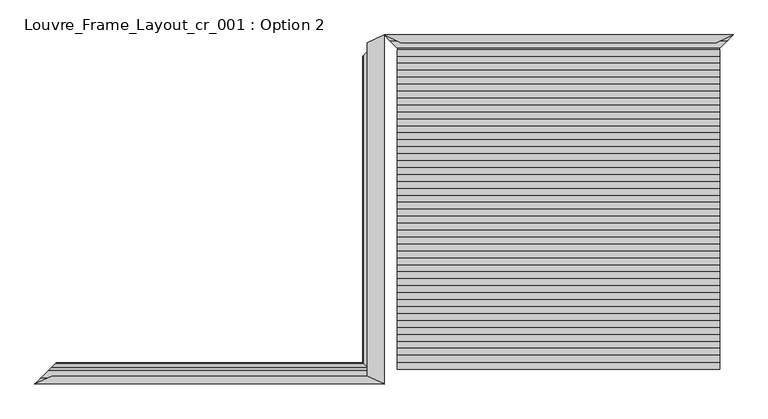
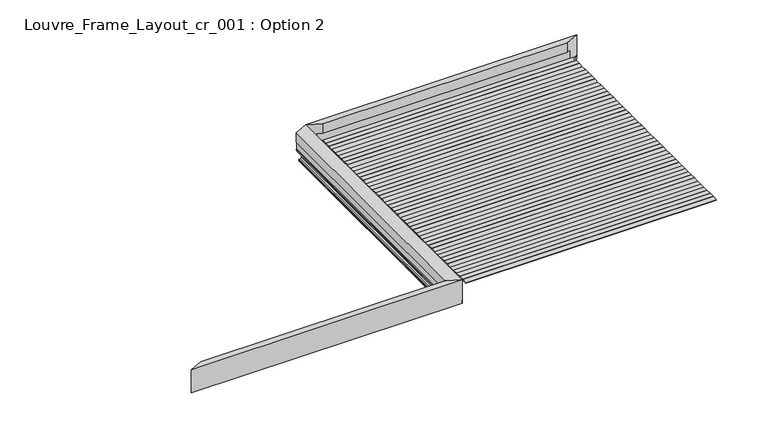
"""IFC4 building model written with IfcOpenShell, lengths in millimetres: proxy geometry, Louvre_Frame_Layout_cr_001 : Option 2."""

from ifc_helpers import new_model, si_unit, frame, origin, place, context, project, spatial, polyline, ellipse_curve, outline, extrude, source, transform, mapped, element, save
from ifc_brep_helpers import plane_surface, cylinder_surface, revolved_surface, advanced_brep


def louvre_frame_layout_cr_001_option_2_17656497(model_context):
    return source(origin(), model_context, "Body", "SolidModel", [
        advanced_brep(
        [(-57.3003291, -1802.6996709, 38.8575344), (0.0, -1860.0, 38.8575344), (0.0, -1860.0, 0.0), (-150.1057157, -1709.8942843, 0.0), (-215.1781305, -1644.8218695, 26.1870213), (-215.1781305, -1644.8218695, 39.3616238), (-214.5111661, -1645.4888339, 40.0285881), (-208.9378388, -1651.0621612, 40.0285881), (-208.2708744, -1651.7291256, 39.3616238), (-208.2708744, -1651.7291256, 25.5580129), (-163.205011, -1696.794989, 7.4266447), (-135.1800041, -1724.8199959, 2.0018958), (-56.9994313, -1803.0005687, 2.0018958), (-51.9945897, -1808.0054103, 7.0067374), (-51.9945897, -1808.0054103, 36.2093165), (-52.5783381, -1807.4216619, 36.793065), (-55.2974109, -1804.7025891, 36.793065), (-3444.7025891, -1804.7025891, 36.793065), (-3447.4216619, -1807.4216619, 36.793065), (-3448.0054103, -1808.0054103, 36.2093165), (-3448.0054103, -1808.0054103, 7.0067374), (-3443.0005687, -1803.0005687, 2.0018958), (-3364.8199959, -1724.8199959, 2.0018958), (-3336.794989, -1696.794989, 7.4266447), (-3291.7291256, -1651.7291256, 25.5580129), (-3291.7291256, -1651.7291256, 39.3616238), (-3291.0621612, -1651.0621612, 40.0285881), (-3285.4888339, -1645.4888339, 40.0285881), (-3284.8218695, -1644.8218695, 39.3616238), (-3284.8218695, -1644.8218695, 26.1870213), (-3349.8942843, -1709.8942843, 0.0), (-3500.0, -1860.0, 0.0), (-3500.0, -1860.0, 38.8575344), (-3442.6996709, -1802.6996709, 38.8575344), (-3330.2950263, -1780.0512704, 316.6276048), (-169.7049737, -1780.0512704, 316.6276048), (-169.7049737, -1780.0512704, 186.7535382), (-3330.2950263, -1780.0512704, 186.7535382), (-110.3674882, -1808.0054103, 186.7535382), (-3389.6325118, -1808.0054103, 186.7535382), (-110.3674882, -1808.0054103, 66.9467725), (-3389.6325118, -1808.0054103, 66.9467725), (-111.6885783, -1807.3830392, 66.3244014), (-3388.3114217, -1807.3830392, 66.3244014), (-117.3778622, -1804.7027935, 66.3244014), (-3382.6221378, -1804.7027935, 66.3244014), (-121.6298357, -1802.6996709, 64.3212787), (-3378.3701643, -1802.6996709, 64.3212787), (-121.6298357, -1802.6996709, 38.7959832), (-3378.3701643, -1802.6996709, 38.7959832), (0.0, -1860.0, 40.0285881), (0.0, -1860.0, 316.6276048), (-3500.0, -1860.0, 316.6276048), (-3500.0, -1860.0, 40.0285881)],
        [
            (0, 1),
            (1, 2),
            (2, 3),
            (3, 4),
            (4, 5),
            (5, 6, ellipse_curve(frame((-214.5111661, -1645.4888339, 39.3616238), z_axis=(0.7071067811864487, 0.7071067811866465, 0.0), x_axis=(0.7071067811866463, -0.7071067811864488, 0.0)), 0.94323, 0.6669644)),
            (6, 7),
            (7, 8, ellipse_curve(frame((-208.9378388, -1651.0621612, 39.3616238), z_axis=(0.7071067811864487, 0.7071067811866465, 0.0), x_axis=(0.7071067811866463, -0.7071067811864488, 0.0)), 0.94323, 0.6669644)),
            (8, 9),
            (9, 10),
            (10, 11, ellipse_curve(frame((-135.1880146, -1724.8119854, 77.0634267), z_axis=(-0.7071067811864487, -0.7071067811866465, 0.0), x_axis=(-0.7071067811866463, 0.7071067811864488, 0.0)), 106.1530357, 75.0615314)),
            (11, 12),
            (12, 13, ellipse_curve(frame((-56.9994313, -1803.0005687, 7.0067374), z_axis=(-0.7071067811864487, -0.7071067811866465, 0.0), x_axis=(-0.7071067811866463, 0.7071067811864488, 0.0)), 7.0779149, 5.0048416)),
            (13, 14),
            (14, 15, ellipse_curve(frame((-52.5783381, -1807.4216619, 36.2093165), z_axis=(-0.7071067811864487, -0.7071067811866465, 0.0), x_axis=(-0.7071067811866463, 0.7071067811864488, 0.0)), 0.825545, 0.5837485)),
            (15, 16),
            (16, 0, ellipse_curve(frame((-55.2974109, -1804.7025891, 38.7959832), z_axis=(0.7071067811864487, 0.7071067811866465, 0.0), x_axis=(0.7071067811866463, -0.7071067811864488, 0.0)), 2.832554, 2.0029182)),
            (17, 18),
            (18, 19, ellipse_curve(frame((-3447.4216619, -1807.4216619, 36.2093165), z_axis=(0.7071067811866565, -0.7071067811864387, 0.0), x_axis=(-0.7071067811864385, -0.7071067811866565, 0.0)), 0.825545, 0.5837485)),
            (19, 20),
            (20, 21, ellipse_curve(frame((-3443.0005687, -1803.0005687, 7.0067374), z_axis=(0.7071067811866565, -0.7071067811864387, 0.0), x_axis=(-0.7071067811864385, -0.7071067811866565, 0.0)), 7.0779149, 5.0048416)),
            (21, 22),
            (22, 23, ellipse_curve(frame((-3364.8119854, -1724.8119854, 77.0634267), z_axis=(0.7071067811866565, -0.7071067811864387, 0.0), x_axis=(-0.7071067811864385, -0.7071067811866565, 0.0)), 106.1530357, 75.0615314)),
            (23, 24),
            (24, 25),
            (25, 26, ellipse_curve(frame((-3291.0621612, -1651.0621612, 39.3616238), z_axis=(-0.7071067811866565, 0.7071067811864387, 0.0), x_axis=(0.7071067811864385, 0.7071067811866565, 0.0)), 0.94323, 0.6669644)),
            (26, 27),
            (27, 28, ellipse_curve(frame((-3285.4888339, -1645.4888339, 39.3616238), z_axis=(-0.7071067811866565, 0.7071067811864387, 0.0), x_axis=(0.7071067811864385, 0.7071067811866565, 0.0)), 0.94323, 0.6669644)),
            (28, 29),
            (29, 30),
            (30, 31),
            (31, 32),
            (32, 33),
            (33, 17, ellipse_curve(frame((-3444.7025891, -1804.7025891, 38.7959832), z_axis=(-0.7071067811866565, 0.7071067811864387, 0.0), x_axis=(0.7071067811864385, 0.7071067811866565, 0.0)), 2.832554, 2.0029182)),
            (34, 35),
            (35, 36),
            (36, 37),
            (37, 34),
            (36, 38),
            (38, 39),
            (39, 37),
            (38, 40),
            (40, 41),
            (41, 39),
            (40, 42, ellipse_curve(frame((-111.6885783, -1807.3830392, 66.9467725), z_axis=(0.42617915109134935, 0.90463878491642, 0.0), x_axis=(-0.9046387849164201, 0.42617915109134935, 0.0)), 1.460351, 0.6223711)),
            (42, 43),
            (43, 41, ellipse_curve(frame((-3388.3114217, -1807.3830392, 66.9467725), z_axis=(-0.42617915109109333, 0.9046387849165407, 0.0), x_axis=(-0.9046387849165406, -0.42617915109109333, 0.0)), 1.460351, 0.6223711)),
            (42, 44),
            (44, 45),
            (45, 43),
            (44, 46, ellipse_curve(frame((-117.3778622, -1804.7027935, 64.3212787), z_axis=(-0.42617915109134935, -0.90463878491642, 0.0), x_axis=(0.9046387849164201, -0.42617915109134935, 0.0)), 4.7001892, 2.0031227)),
            (46, 47),
            (47, 45, ellipse_curve(frame((-3382.6221378, -1804.7027935, 64.3212787), z_axis=(0.42617915109109333, -0.9046387849165407, 0.0), x_axis=(0.9046387849165406, 0.42617915109109333, 0.0)), 4.7001892, 2.0031227)),
            (46, 48),
            (48, 49),
            (49, 47),
            (16, 17),
            (33, 49),
            (48, 0),
            (15, 18),
            (14, 19),
            (13, 20),
            (12, 21),
            (11, 22),
            (10, 23),
            (9, 24),
            (8, 25),
            (7, 26),
            (6, 27),
            (5, 28),
            (4, 29),
            (3, 30),
            (2, 31),
            (1, 50),
            (50, 51),
            (51, 52),
            (52, 53),
            (53, 32),
            (51, 35),
            (34, 52),
            (32, 49),
            (48, 1),
        ],
        [
            plane_surface(frame((0.0, -1860.0, 40.0285881), z_axis=(0.7071067811864487, 0.7071067811866465, 0.0), x_axis=(0.0, 0.0, -1.0))),
            plane_surface(frame((-3241.9060249, -1601.9060249, 40.0285881), z_axis=(-0.7071067811866565, 0.7071067811864387, 0.0), x_axis=(0.0, 0.0, -1.0))),
            plane_surface(frame((0.0, -1780.0512704, 316.6276048), z_axis=(0.0, 1.0, 0.0), x_axis=(-1.0, 0.0, 0.0))),
            plane_surface(frame((0.0, -1780.0512704, 186.7535382), z_axis=(0.0, 0.0, -1.0), x_axis=(-1.0, 0.0, 0.0))),
            plane_surface(frame((0.0, -1808.0054103, 186.7535382), z_axis=(0.0, 1.0, 0.0), x_axis=(-1.0, 0.0, 0.0))),
            revolved_surface(polyline([(-3389.6325118541918, -1806.7606681, 66.9467725), (-110.36748814580852, -1806.7606681, 66.9467725)]), (0.0, -1807.3830392, 66.9467725), (-1.0, 0.0, 0.0)),
            plane_surface(frame((0.0, -1807.3830392, 66.3244014), z_axis=(0.0, 0.0, 1.0), x_axis=(-1.0, 0.0, 0.0))),
            cylinder_surface(frame((0.0, -1804.7027935, 64.3212787), z_axis=(1.0, 0.0, 0.0), x_axis=(0.0, 1.0, 0.0)), 2.0031227),
            plane_surface(frame((0.0, -1802.6996709, 64.3212787), z_axis=(0.0, 1.0, 0.0), x_axis=(-1.0, 0.0, 0.0))),
            cylinder_surface(frame((0.0, -1804.7025891, 38.7959832), z_axis=(1.0, 0.0, 0.0), x_axis=(0.0, 1.0, 0.0)), 2.0029182),
            plane_surface(frame((0.0, -1804.7025891, 36.793065), z_axis=(0.0, 0.0, -1.0), x_axis=(-1.0, 0.0, 0.0))),
            revolved_surface(polyline([(-3448.0054103676744, -1806.8379134, 36.2093165), (-51.99458963232527, -1806.8379134, 36.2093165)]), (0.0, -1807.4216619, 36.2093165), (-1.0, 0.0, 0.0)),
            plane_surface(frame((0.0, -1808.0054103, 36.2093165), z_axis=(0.0, 1.0, 0.0), x_axis=(-1.0, 0.0, 0.0))),
            revolved_surface(polyline([(-3448.00541032245, -1797.9957271, 7.0067374), (-51.99458967754799, -1797.9957271, 7.0067374)]), (0.0, -1803.0005687, 7.0067374), (-1.0, 0.0, 0.0)),
            plane_surface(frame((0.0, -1803.0005687, 2.0018958), z_axis=(0.0, 0.0, 1.0), x_axis=(-1.0, 0.0, 0.0))),
            revolved_surface(polyline([(-3439.8735167869963, -1649.750454, 77.0634267), (-60.12648321298185, -1649.750454, 77.0634267)]), (0.0, -1724.8119854, 77.0634267), (-1.0, 0.0, 0.0)),
            plane_surface(frame((0.0, -1696.794989, 7.4266447), z_axis=(0.0, -0.37325372835204085, 0.9277293001039155), x_axis=(-1.0, 0.0, 0.0))),
            plane_surface(frame((0.0, -1651.7291256, 25.5580129), z_axis=(0.0, -1.0, 0.0), x_axis=(-1.0, 0.0, 0.0))),
            cylinder_surface(frame((0.0, -1651.0621612, 39.3616238), z_axis=(1.0, 0.0, 0.0), x_axis=(0.0, 1.0, 0.0)), 0.6669644),
            plane_surface(frame((0.0, -1651.0621612, 40.0285881), z_axis=(0.0, 0.0, 1.0), x_axis=(-1.0, 0.0, 0.0))),
            cylinder_surface(frame((0.0, -1645.4888339, 39.3616238), z_axis=(1.0, 0.0, 0.0), x_axis=(0.0, -1.0, 0.0)), 0.6669644),
            plane_surface(frame((0.0, -1644.8218695, 39.3616238), z_axis=(0.0, 1.0, 0.0), x_axis=(-1.0, 0.0, 0.0))),
            plane_surface(frame((0.0, -1644.8218695, 26.1870213), z_axis=(0.0, 0.3733323631651337, -0.927697659053604), x_axis=(-1.0, 0.0, 0.0))),
            plane_surface(frame((0.0, -1709.8942843, 0.0), z_axis=(0.0, 0.0, -1.0), x_axis=(-1.0, 0.0, 0.0))),
            plane_surface(frame((0.0, -1860.0, 0.0), z_axis=(0.0, -1.0, 0.0), x_axis=(-1.0, 0.0, 0.0))),
            plane_surface(frame((0.0, -1860.0, 316.6276048), z_axis=(0.0, 0.0, 1.0), x_axis=(-1.0, 0.0, 0.0))),
            plane_surface(frame((-3500.0, -1860.0, 38.8575344), z_axis=(0.0, 0.0, 1.0), x_axis=(0.9046387849165407, 0.42617915109109333, 0.0))),
            plane_surface(frame((-3330.2950263, -1780.0512704, 398.4370867), z_axis=(-0.42617915109109333, 0.9046387849165407, 0.0), x_axis=(0.0, 0.0, -1.0))),
            plane_surface(frame((0.0, -1780.0512704, 38.8575344), z_axis=(0.0, 0.0, 1.0), x_axis=(-1.0, 0.0, 0.0))),
            plane_surface(frame((0.0, -1860.0, 398.4370867), z_axis=(0.42617915109134935, 0.90463878491642, 0.0), x_axis=(0.0, 0.0, -1.0))),
        ],
        [
            (0, [[1, 2, 3, 4, 5, 6, 7, 8, 9, 10, 11, 12, 13, 14, 15, 16, 17]]),
            (1, [[18, 19, 20, 21, 22, 23, 24, 25, 26, 27, 28, 29, 30, 31, 32, 33, 34]]),
            (2, [[35, 36, 37, 38]]),
            (3, [[-37, 39, 40, 41]]),
            (4, [[-40, 42, 43, 44]]),
            (5, [[-43, 45, 46, 47]]),
            (6, [[-46, 48, 49, 50]]),
            (7, [[-49, 51, 52, 53]]),
            (8, [[-52, 54, 55, 56]]),
            (9, [[57, -34, 58, -55, 59, -17]]),
            (10, [[60, -18, -57, -16]]),
            (11, [[61, -19, -60, -15]]),
            (12, [[62, -20, -61, -14]]),
            (13, [[63, -21, -62, -13]]),
            (14, [[64, -22, -63, -12]]),
            (15, [[65, -23, -64, -11]]),
            (16, [[66, -24, -65, -10]]),
            (17, [[67, -25, -66, -9]]),
            (18, [[68, -26, -67, -8]]),
            (19, [[69, -27, -68, -7]]),
            (20, [[70, -28, -69, -6]]),
            (21, [[71, -29, -70, -5]]),
            (22, [[72, -30, -71, -4]]),
            (23, [[-31, -72, -3, 73]]),
            (24, [[-2, 74, 75, 76, 77, 78, -32, -73]]),
            (25, [[79, -35, 80, -76]]),
            (26, [[-58, -33, 81]]),
            (27, [[-78, -77, -80, -38, -41, -44, -47, -50, -53, -56, -81]]),
            (28, [[-1, -59, 82]]),
            (29, [[-54, -51, -48, -45, -42, -39, -36, -79, -75, -74, -82]]),
        ],
    ),
        advanced_brep(
        [(-145.2950918, -1714.7049082, 40.0285881), (-142.500644, -1717.499356, 38.8575344), (-64.3578923, -1795.6421077, 38.8575344), (-62.7201461, -1797.2798539, 37.2197882), (-62.7201461, -1797.2798539, 30.0771301), (-51.9945897, -1808.0054103, 30.0771301), (-51.9945897, -1808.0054103, 7.0067374), (-56.9994313, -1803.0005687, 2.0018958), (-135.1800041, -1724.8199959, 2.0018958), (-163.205011, -1696.794989, 7.4266447), (-208.2708744, -1651.7291256, 25.5580129), (-208.2708744, -1651.7291256, 39.3616238), (-208.9378388, -1651.0621612, 40.0285881), (-214.5111661, -1645.4888339, 40.0285881), (-215.1781305, -1644.8218695, 39.3616238), (-215.1781305, -1644.8218695, 26.5150991), (-214.6113147, -1645.3886853, 25.9589183), (-150.1057157, -1709.8942843, 0.0), (0.0, -1860.0, 0.0), (0.0, -1860.0, 36.793065), (0.0, -1860.0, 40.0285881), (0.0, 1640.0, 40.0285881), (0.0, 1640.0, 36.793065), (0.0, 1640.0, 0.0), (-150.1057157, 1489.9379038, 0.0), (-214.6113147, 1425.4510496, 25.9589183), (-215.1781305, 1424.8843985, 26.5150991), (-215.1781305, 1424.8843985, 39.3616238), (-214.5111661, 1425.5511691, 40.0285881), (-208.9378388, 1431.1228768, 40.0285881), (-208.2708744, 1431.7896474, 39.3616238), (-208.2708744, 1431.7896474, 25.5580129), (-163.205011, 1476.842415, 7.4266447), (-135.1800041, 1504.8592781, 2.0018958), (-56.9994313, 1583.0171323, 2.0018958), (-51.9945897, 1588.0205195, 7.0067374), (-51.9945897, 1588.0205195, 30.0771301), (-62.7201461, 1577.2980799, 30.0771301), (-62.7201461, 1577.2980799, 37.2197882), (-64.3578923, 1575.6608096, 38.8575344), (-142.500644, 1497.5407655, 38.8575344), (-145.2950918, 1494.7471297, 40.0285881), (-145.2950918, -1791.5508688, 40.0285881), (-145.2950918, 1571.5508688, 40.0285881), (0.0, 1640.0, 315.1230176), (-169.7049737, 1560.0512704, 315.1230176), (-169.7049737, -1780.0512704, 315.1230176), (0.0, -1860.0, 315.1230176), (-147.9326449, -1790.3083064, 42.7736155), (-147.9326449, 1570.3083064, 42.7736155), (-169.6981451, -1780.0544873, 79.2796958), (-169.6981451, 1560.0544873, 79.2796958), (-169.6981451, -1780.0544873, 88.3970766), (-169.6981451, 1560.0544873, 88.3970766), (-163.2806322, -1783.0778048, 88.3970766), (-163.2806322, 1563.0778048, 88.3970766), (-163.2806322, -1783.0778048, 186.2985422), (-163.2806322, 1563.0778048, 186.2985422), (-169.7049737, -1780.0512704, 186.2985422), (-169.7049737, 1560.0512704, 186.2985422)],
        [
            (0, 1, ellipse_curve(frame((-140.6934069, -1719.3065931, 47.0897633), z_axis=(-0.7071067811865105, -0.7071067811865845, 0.0), x_axis=(0.7071067811865845, -0.7071067811865106, 0.0)), 11.9193707, 8.4282679)),
            (1, 2),
            (2, 3, ellipse_curve(frame((-64.3578923, -1795.6421077, 37.2197882), z_axis=(0.7071067811865105, 0.7071067811865845, 0.0), x_axis=(-0.7071067811865845, 0.7071067811865106, 0.0)), 2.3161229, 1.6377462)),
            (3, 4),
            (4, 5),
            (5, 6),
            (6, 7, ellipse_curve(frame((-56.9994313, -1803.0005687, 7.0067374), z_axis=(0.7071067811865105, 0.7071067811865845, 0.0), x_axis=(-0.7071067811865845, 0.7071067811865106, 0.0)), 7.0779149, 5.0048416)),
            (7, 8),
            (8, 9, ellipse_curve(frame((-135.1880146, -1724.8119854, 77.0634267), z_axis=(0.7071067811865105, 0.7071067811865845, 0.0), x_axis=(-0.7071067811865845, 0.7071067811865106, 0.0)), 106.1530357, 75.0615314)),
            (9, 10),
            (10, 11),
            (11, 12, ellipse_curve(frame((-208.9378388, -1651.0621612, 39.3616238), z_axis=(-0.7071067811865105, -0.7071067811865845, 0.0), x_axis=(0.7071067811865845, -0.7071067811865106, 0.0)), 0.94323, 0.6669644)),
            (12, 13),
            (13, 14, ellipse_curve(frame((-214.5111661, -1645.4888339, 39.3616238), z_axis=(-0.7071067811865105, -0.7071067811865845, 0.0), x_axis=(0.7071067811865845, -0.7071067811865106, 0.0)), 0.94323, 0.6669644)),
            (14, 15),
            (15, 16, ellipse_curve(frame((-214.2245487, -1645.7754513, 26.9199973), z_axis=(-0.7071067811865105, -0.7071067811865845, 0.0), x_axis=(0.7071067811865845, -0.7071067811865106, 0.0)), 1.4651013, 1.035983)),
            (16, 17),
            (17, 18),
            (18, 19),
            (19, 20),
            (20, 0),
            (21, 22),
            (22, 23),
            (23, 24),
            (24, 25),
            (25, 26, ellipse_curve(frame((-214.2245487, 1425.8377032, 26.9199973), z_axis=(-0.707004019078356, 0.7072095283627419, 0.0), x_axis=(-0.7072095283627419, -0.7070040190783559, 0.0)), 1.4648884, 1.035983)),
            (26, 27),
            (27, 28, ellipse_curve(frame((-214.5111661, 1425.5511691, 39.3616238), z_axis=(-0.707004019078356, 0.7072095283627419, 0.0), x_axis=(-0.7072095283627419, -0.7070040190783559, 0.0)), 0.943093, 0.6669644)),
            (28, 29),
            (29, 30, ellipse_curve(frame((-208.9378388, 1431.1228768, 39.3616238), z_axis=(-0.707004019078356, 0.7072095283627419, 0.0), x_axis=(-0.7072095283627419, -0.7070040190783559, 0.0)), 0.943093, 0.6669644)),
            (30, 31),
            (31, 32),
            (32, 33, ellipse_curve(frame((-135.1880146, 1504.85127, 77.0634267), z_axis=(0.707004019078356, -0.7072095283627419, 0.0), x_axis=(0.7072095283627419, 0.7070040190783559, 0.0)), 106.1376132, 75.0615314)),
            (33, 34),
            (34, 35, ellipse_curve(frame((-56.9994313, 1583.0171323, 7.0067374), z_axis=(0.707004019078356, -0.7072095283627419, 0.0), x_axis=(0.7072095283627419, 0.7070040190783559, 0.0)), 7.0768866, 5.0048416)),
            (35, 36),
            (36, 37),
            (37, 38),
            (38, 39, ellipse_curve(frame((-64.3578923, 1575.6608096, 37.2197882), z_axis=(0.707004019078356, -0.7072095283627419, 0.0), x_axis=(0.7072095283627419, 0.7070040190783559, 0.0)), 2.3157864, 1.6377462)),
            (39, 40),
            (40, 41, ellipse_curve(frame((-140.6934069, 1499.3474774, 47.0897633), z_axis=(-0.707004019078356, 0.7072095283627419, 0.0), x_axis=(-0.7072095283627419, -0.7070040190783559, 0.0)), 11.917639, 8.4282679)),
            (41, 21),
            (20, 42),
            (42, 0),
            (41, 43),
            (43, 21),
            (44, 45),
            (45, 46),
            (46, 47),
            (47, 44),
            (47, 20),
            (18, 23),
            (21, 44),
            (17, 24),
            (16, 25),
            (15, 26),
            (14, 27),
            (13, 28),
            (12, 29),
            (11, 30),
            (10, 31),
            (9, 32),
            (8, 33),
            (7, 34),
            (6, 35),
            (5, 36),
            (4, 37),
            (3, 38),
            (2, 39),
            (1, 40),
            (42, 48, ellipse_curve(frame((-140.6934069, -1793.718742, 47.0897633), z_axis=(0.42617915109134047, 0.9046387849164242, 0.0), x_axis=(0.9046387849164244, -0.4261791510913402, 0.0)), 9.3167218, 8.4282679)),
            (48, 49),
            (49, 43, ellipse_curve(frame((-140.6934069, 1573.718742, 47.0897633), z_axis=(0.4261791510912675, -0.9046387849164587, 0.0), x_axis=(-0.9046387849164589, -0.4261791510912672, 0.0)), 9.3167218, 8.4282679)),
            (50, 51),
            (51, 49),
            (48, 50),
            (52, 53),
            (53, 51),
            (50, 52),
            (54, 55),
            (55, 53),
            (52, 54),
            (56, 57),
            (57, 55),
            (54, 56),
            (58, 59),
            (59, 57),
            (56, 58),
            (45, 59),
            (58, 46),
        ],
        [
            plane_surface(frame((-215.1781305, -1644.8218695, 40.0285881), z_axis=(-0.7071067811865105, -0.7071067811865845, 0.0), x_axis=(0.0, 0.0, -1.0))),
            plane_surface(frame((0.0, 1640.0, 40.0285881), z_axis=(-0.707004019078356, 0.7072095283627419, 0.0), x_axis=(0.0, 0.0, -1.0))),
            plane_surface(frame((0.0, -1860.0, 40.0285881), z_axis=(0.0, 0.0, -1.0), x_axis=(0.7071067811865845, -0.7071067811865105, 0.0))),
            plane_surface(frame((-258.0939751, 1381.9810249, 40.0285881), z_axis=(0.0, 0.0, -1.0), x_axis=(0.0, 1.0, 0.0))),
            plane_surface(frame((-169.7049737, -1860.0, 315.1230176), z_axis=(0.0, 0.0, 1.0), x_axis=(0.0, 1.0, 0.0))),
            plane_surface(frame((0.0, -1860.0, 315.1230176), z_axis=(1.0, 0.0, 0.0), x_axis=(0.0, 1.0, 0.0))),
            plane_surface(frame((0.0, -1860.0, 0.0), z_axis=(0.0, 0.0, -1.0), x_axis=(0.0, 1.0, 0.0))),
            plane_surface(frame((-150.1057157, -1860.0, 0.0), z_axis=(-0.3733323631651337, 0.0, -0.9276976590536039), x_axis=(0.0, 1.0, 0.0))),
            cylinder_surface(frame((-214.2245487, -1860.0, 26.9199973), z_axis=(0.0, -1.0, 0.0), x_axis=(-1.0, 0.0, 0.0)), 1.035983),
            plane_surface(frame((-215.1781305, -1860.0, 26.5150991), z_axis=(-1.0, 0.0, 0.0), x_axis=(0.0, 1.0, 0.0))),
            cylinder_surface(frame((-214.5111661, -1860.0, 39.3616238), z_axis=(0.0, -1.0, 0.0), x_axis=(1.0, 0.0, 0.0)), 0.6669644),
            plane_surface(frame((-214.5111661, -1860.0, 40.0285881), z_axis=(0.0, 0.0, 1.0), x_axis=(0.0, 1.0, 0.0))),
            cylinder_surface(frame((-208.9378388, -1860.0, 39.3616238), z_axis=(0.0, -1.0, 0.0), x_axis=(-1.0, 0.0, 0.0)), 0.6669644),
            plane_surface(frame((-208.2708744, -1860.0, 39.3616238), z_axis=(1.0, 0.0, 0.0), x_axis=(0.0, 1.0, 0.0))),
            plane_surface(frame((-208.2708744, -1860.0, 25.5580129), z_axis=(0.37325372835204107, 0.0, 0.9277293001039154), x_axis=(0.0, 1.0, 0.0))),
            revolved_surface(polyline([(-210.249546, 1579.8909891077842, 77.0634267), (-210.249546, -1799.8735167870036, 77.0634267)]), (-135.1880146, -1860.0, 77.0634267), (0.0, 1.0, 0.0)),
            plane_surface(frame((-135.1800041, -1860.0, 2.0018958), z_axis=(0.0, 0.0, 1.0), x_axis=(0.0, 1.0, 0.0))),
            revolved_surface(polyline([(-62.0042729, 1588.0205195687618, 7.0067374), (-62.0042729, -1808.005410322451, 7.0067374)]), (-56.9994313, -1860.0, 7.0067374), (0.0, 1.0, 0.0)),
            plane_surface(frame((-51.9945897, -1860.0, 7.0067374), z_axis=(-1.0, 0.0, 0.0), x_axis=(0.0, 1.0, 0.0))),
            plane_surface(frame((-51.9945897, -1860.0, 30.0771301), z_axis=(0.0, 0.0, -1.0), x_axis=(0.0, 1.0, 0.0))),
            plane_surface(frame((-62.7201461, -1860.0, 30.0771301), z_axis=(-1.0, 0.0, 0.0), x_axis=(0.0, 1.0, 0.0))),
            revolved_surface(polyline([(-65.9956385, 1577.2980798999997, 37.2197882), (-65.9956385, -1797.2798539086514, 37.2197882)]), (-64.3578923, -1860.0, 37.2197882), (0.0, 1.0, 0.0)),
            plane_surface(frame((-64.3578923, -1860.0, 38.8575344), z_axis=(0.0, 0.0, -1.0), x_axis=(0.0, 1.0, 0.0))),
            cylinder_surface(frame((-140.6934069, -1860.0, 47.0897633), z_axis=(0.0, -1.0, 0.0), x_axis=(-1.0, 0.0, 0.0)), 8.4282679),
            plane_surface(frame((-147.9326449, -1860.0, 42.7736155), z_axis=(-0.8589235852565517, 0.0, -0.5121037733604697), x_axis=(0.0, 1.0, 0.0))),
            plane_surface(frame((-169.6981451, -1860.0, 79.2796958), z_axis=(-1.0, 0.0, 0.0), x_axis=(0.0, 1.0, 0.0))),
            plane_surface(frame((-169.6981451, -1860.0, 88.3970766), z_axis=(0.0, 0.0, 1.0), x_axis=(0.0, 1.0, 0.0))),
            plane_surface(frame((-163.2806322, -1860.0, 88.3970766), z_axis=(-1.0, 0.0, 0.0), x_axis=(0.0, 1.0, 0.0))),
            plane_surface(frame((-163.2806322, -1860.0, 186.2985422), z_axis=(0.0, 0.0, -1.0), x_axis=(0.0, 1.0, 0.0))),
            plane_surface(frame((-169.7049737, -1860.0, 186.2985422), z_axis=(-1.0, 0.0, 0.0), x_axis=(0.0, 1.0, 0.0))),
            plane_surface(frame((-169.7049737, -1780.0512704, 355.5911694), z_axis=(-0.42617915109134047, -0.9046387849164242, 0.0), x_axis=(0.0, 0.0, -1.0))),
            plane_surface(frame((0.0, 1640.0, 355.5911694), z_axis=(-0.4261791510912675, 0.9046387849164587, 0.0), x_axis=(0.0, 0.0, -1.0))),
        ],
        [
            (0, [[1, 2, 3, 4, 5, 6, 7, 8, 9, 10, 11, 12, 13, 14, 15, 16, 17, 18, 19, 20, 21]]),
            (1, [[22, 23, 24, 25, 26, 27, 28, 29, 30, 31, 32, 33, 34, 35, 36, 37, 38, 39, 40, 41, 42]]),
            (2, [[43, 44, -21]]),
            (3, [[45, 46, -42]]),
            (4, [[47, 48, 49, 50]]),
            (5, [[51, -20, -19, 52, -23, -22, 53, -50]]),
            (6, [[-18, 54, -24, -52]]),
            (7, [[55, -25, -54, -17]]),
            (8, [[56, -26, -55, -16]]),
            (9, [[57, -27, -56, -15]]),
            (10, [[58, -28, -57, -14]]),
            (11, [[59, -29, -58, -13]]),
            (12, [[60, -30, -59, -12]]),
            (13, [[61, -31, -60, -11]]),
            (14, [[62, -32, -61, -10]]),
            (15, [[63, -33, -62, -9]]),
            (16, [[64, -34, -63, -8]]),
            (17, [[65, -35, -64, -7]]),
            (18, [[66, -36, -65, -6]]),
            (19, [[67, -37, -66, -5]]),
            (20, [[68, -38, -67, -4]]),
            (21, [[69, -39, -68, -3]]),
            (22, [[70, -40, -69, -2]]),
            (23, [[-44, 71, 72, 73, -45, -41, -70, -1]]),
            (24, [[74, 75, -72, 76]]),
            (25, [[77, 78, -74, 79]]),
            (26, [[80, 81, -77, 82]]),
            (27, [[83, 84, -80, 85]]),
            (28, [[86, 87, -83, 88]]),
            (29, [[-48, 89, -86, 90]]),
            (30, [[-90, -88, -85, -82, -79, -76, -71, -43, -51, -49]]),
            (31, [[-53, -46, -73, -75, -78, -81, -84, -87, -89, -47]]),
        ],
    ),
        extrude(outline(polyline([(3368.0, -1573.3111111), (3368.0, -1643.3111111), (132.0, -1643.3111111), (132.0, -1573.3111111), (3368.0, -1573.3111111)])), frame((0.0, 0.0, 136.6041163), z_axis=(0.0, 0.0, 1.0), x_axis=(1.0, 0.0, 0.0)), (0.0, 0.0, 1.0), 10.0),
        extrude(outline(polyline([(3368.0, -1503.6222222), (3368.0, -1573.6222222), (132.0, -1573.6222222), (132.0, -1503.6222222), (3368.0, -1503.6222222)])), frame((0.0, 0.0, 136.6041163), z_axis=(0.0, 0.0, 1.0), x_axis=(1.0, 0.0, 0.0)), (0.0, 0.0, 1.0), 10.0),
        extrude(outline(polyline([(3368.0, -1433.9333333), (3368.0, -1503.9333333), (132.0, -1503.9333333), (132.0, -1433.9333333), (3368.0, -1433.9333333)])), frame((0.0, 0.0, 136.6041163), z_axis=(0.0, 0.0, 1.0), x_axis=(1.0, 0.0, 0.0)), (0.0, 0.0, 1.0), 10.0),
        extrude(outline(polyline([(3368.0, -1364.2444444), (3368.0, -1434.2444444), (132.0, -1434.2444444), (132.0, -1364.2444444), (3368.0, -1364.2444444)])), frame((0.0, 0.0, 136.6041163), z_axis=(0.0, 0.0, 1.0), x_axis=(1.0, 0.0, 0.0)), (0.0, 0.0, 1.0), 10.0),
        extrude(outline(polyline([(3368.0, -1294.5555556), (3368.0, -1364.5555556), (132.0, -1364.5555556), (132.0, -1294.5555556), (3368.0, -1294.5555556)])), frame((0.0, 0.0, 136.6041163), z_axis=(0.0, 0.0, 1.0), x_axis=(1.0, 0.0, 0.0)), (0.0, 0.0, 1.0), 10.0),
        extrude(outline(polyline([(3368.0, -1224.8666667), (3368.0, -1294.8666667), (132.0, -1294.8666667), (132.0, -1224.8666667), (3368.0, -1224.8666667)])), frame((0.0, 0.0, 136.6041163), z_axis=(0.0, 0.0, 1.0), x_axis=(1.0, 0.0, 0.0)), (0.0, 0.0, 1.0), 10.0),
        extrude(outline(polyline([(3368.0, -1155.1777778), (3368.0, -1225.1777778), (132.0, -1225.1777778), (132.0, -1155.1777778), (3368.0, -1155.1777778)])), frame((0.0, 0.0, 136.6041163), z_axis=(0.0, 0.0, 1.0), x_axis=(1.0, 0.0, 0.0)), (0.0, 0.0, 1.0), 10.0),
        extrude(outline(polyline([(3368.0, -1085.4888889), (3368.0, -1155.4888889), (132.0, -1155.4888889), (132.0, -1085.4888889), (3368.0, -1085.4888889)])), frame((0.0, 0.0, 136.6041163), z_axis=(0.0, 0.0, 1.0), x_axis=(1.0, 0.0, 0.0)), (0.0, 0.0, 1.0), 10.0),
        extrude(outline(polyline([(3368.0, -1015.8), (3368.0, -1085.8), (132.0, -1085.8), (132.0, -1015.8), (3368.0, -1015.8)])), frame((0.0, 0.0, 136.6041163), z_axis=(0.0, 0.0, 1.0), x_axis=(1.0, 0.0, 0.0)), (0.0, 0.0, 1.0), 10.0),
        extrude(outline(polyline([(3368.0, -946.1111111), (3368.0, -1016.1111111), (132.0, -1016.1111111), (132.0, -946.1111111), (3368.0, -946.1111111)])), frame((0.0, 0.0, 136.6041163), z_axis=(0.0, 0.0, 1.0), x_axis=(1.0, 0.0, 0.0)), (0.0, 0.0, 1.0), 10.0),
        extrude(outline(polyline([(3368.0, -876.4222222), (3368.0, -946.4222222), (132.0, -946.4222222), (132.0, -876.4222222), (3368.0, -876.4222222)])), frame((0.0, 0.0, 136.6041163), z_axis=(0.0, 0.0, 1.0), x_axis=(1.0, 0.0, 0.0)), (0.0, 0.0, 1.0), 10.0),
        extrude(outline(polyline([(3368.0, -806.7333333), (3368.0, -876.7333333), (132.0, -876.7333333), (132.0, -806.7333333), (3368.0, -806.7333333)])), frame((0.0, 0.0, 136.6041163), z_axis=(0.0, 0.0, 1.0), x_axis=(1.0, 0.0, 0.0)), (0.0, 0.0, 1.0), 10.0),
        extrude(outline(polyline([(3368.0, -737.0444444), (3368.0, -807.0444444), (132.0, -807.0444444), (132.0, -737.0444444), (3368.0, -737.0444444)])), frame((0.0, 0.0, 136.6041163), z_axis=(0.0, 0.0, 1.0), x_axis=(1.0, 0.0, 0.0)), (0.0, 0.0, 1.0), 10.0),
        extrude(outline(polyline([(3368.0, -667.3555556), (3368.0, -737.3555556), (132.0, -737.3555556), (132.0, -667.3555556), (3368.0, -667.3555556)])), frame((0.0, 0.0, 136.6041163), z_axis=(0.0, 0.0, 1.0), x_axis=(1.0, 0.0, 0.0)), (0.0, 0.0, 1.0), 10.0),
        extrude(outline(polyline([(3368.0, -597.6666667), (3368.0, -667.6666667), (132.0, -667.6666667), (132.0, -597.6666667), (3368.0, -597.6666667)])), frame((0.0, 0.0, 136.6041163), z_axis=(0.0, 0.0, 1.0), x_axis=(1.0, 0.0, 0.0)), (0.0, 0.0, 1.0), 10.0),
        extrude(outline(polyline([(3368.0, -527.9777778), (3368.0, -597.9777778), (132.0, -597.9777778), (132.0, -527.9777778), (3368.0, -527.9777778)])), frame((0.0, 0.0, 136.6041163), z_axis=(0.0, 0.0, 1.0), x_axis=(1.0, 0.0, 0.0)), (0.0, 0.0, 1.0), 10.0),
        extrude(outline(polyline([(3368.0, -458.2888889), (3368.0, -528.2888889), (132.0, -528.2888889), (132.0, -458.2888889), (3368.0, -458.2888889)])), frame((0.0, 0.0, 136.6041163), z_axis=(0.0, 0.0, 1.0), x_axis=(1.0, 0.0, 0.0)), (0.0, 0.0, 1.0), 10.0),
        extrude(outline(polyline([(3368.0, -388.6), (3368.0, -458.6), (132.0, -458.6), (132.0, -388.6), (3368.0, -388.6)])), frame((0.0, 0.0, 136.6041163), z_axis=(0.0, 0.0, 1.0), x_axis=(1.0, 0.0, 0.0)), (0.0, 0.0, 1.0), 10.0),
        extrude(outline(polyline([(3368.0, -318.9111111), (3368.0, -388.9111111), (132.0, -388.9111111), (132.0, -318.9111111), (3368.0, -318.9111111)])), frame((0.0, 0.0, 136.6041163), z_axis=(0.0, 0.0, 1.0), x_axis=(1.0, 0.0, 0.0)), (0.0, 0.0, 1.0), 10.0),
        extrude(outline(polyline([(3368.0, -249.2222222), (3368.0, -319.2222222), (132.0, -319.2222222), (132.0, -249.2222222), (3368.0, -249.2222222)])), frame((0.0, 0.0, 136.6041163), z_axis=(0.0, 0.0, 1.0), x_axis=(1.0, 0.0, 0.0)), (0.0, 0.0, 1.0), 10.0),
        extrude(outline(polyline([(3368.0, -179.5333333), (3368.0, -249.5333333), (132.0, -249.5333333), (132.0, -179.5333333), (3368.0, -179.5333333)])), frame((0.0, 0.0, 136.6041163), z_axis=(0.0, 0.0, 1.0), x_axis=(1.0, 0.0, 0.0)), (0.0, 0.0, 1.0), 10.0),
        extrude(outline(polyline([(3368.0, -109.8444444), (3368.0, -179.8444444), (132.0, -179.8444444), (132.0, -109.8444444), (3368.0, -109.8444444)])), frame((0.0, 0.0, 136.6041163), z_axis=(0.0, 0.0, 1.0), x_axis=(1.0, 0.0, 0.0)), (0.0, 0.0, 1.0), 10.0),
        extrude(outline(polyline([(3368.0, -40.1555556), (3368.0, -110.1555556), (132.0, -110.1555556), (132.0, -40.1555556), (3368.0, -40.1555556)])), frame((0.0, 0.0, 136.6041163), z_axis=(0.0, 0.0, 1.0), x_axis=(1.0, 0.0, 0.0)), (0.0, 0.0, 1.0), 10.0),
        extrude(outline(polyline([(3368.0, 29.5333333), (3368.0, -40.4666667), (132.0, -40.4666667), (132.0, 29.5333333), (3368.0, 29.5333333)])), frame((0.0, 0.0, 136.6041163), z_axis=(0.0, 0.0, 1.0), x_axis=(1.0, 0.0, 0.0)), (0.0, 0.0, 1.0), 10.0),
        extrude(outline(polyline([(3368.0, 99.2222222), (3368.0, 29.2222222), (132.0, 29.2222222), (132.0, 99.2222222), (3368.0, 99.2222222)])), frame((0.0, 0.0, 136.6041163), z_axis=(0.0, 0.0, 1.0), x_axis=(1.0, 0.0, 0.0)), (0.0, 0.0, 1.0), 10.0),
        extrude(outline(polyline([(3368.0, 168.9111111), (3368.0, 98.9111111), (132.0, 98.9111111), (132.0, 168.9111111), (3368.0, 168.9111111)])), frame((0.0, 0.0, 136.6041163), z_axis=(0.0, 0.0, 1.0), x_axis=(1.0, 0.0, 0.0)), (0.0, 0.0, 1.0), 10.0),
        extrude(outline(polyline([(3368.0, 238.6), (3368.0, 168.6), (132.0, 168.6), (132.0, 238.6), (3368.0, 238.6)])), frame((0.0, 0.0, 136.6041163), z_axis=(0.0, 0.0, 1.0), x_axis=(1.0, 0.0, 0.0)), (0.0, 0.0, 1.0), 10.0),
        extrude(outline(polyline([(3368.0, 308.2888889), (3368.0, 238.2888889), (132.0, 238.2888889), (132.0, 308.2888889), (3368.0, 308.2888889)])), frame((0.0, 0.0, 136.6041163), z_axis=(0.0, 0.0, 1.0), x_axis=(1.0, 0.0, 0.0)), (0.0, 0.0, 1.0), 10.0),
        extrude(outline(polyline([(3368.0, 377.9777778), (3368.0, 307.9777778), (132.0, 307.9777778), (132.0, 377.9777778), (3368.0, 377.9777778)])), frame((0.0, 0.0, 136.6041163), z_axis=(0.0, 0.0, 1.0), x_axis=(1.0, 0.0, 0.0)), (0.0, 0.0, 1.0), 10.0),
        extrude(outline(polyline([(3368.0, 447.6666667), (3368.0, 377.6666667), (132.0, 377.6666667), (132.0, 447.6666667), (3368.0, 447.6666667)])), frame((0.0, 0.0, 136.6041163), z_axis=(0.0, 0.0, 1.0), x_axis=(1.0, 0.0, 0.0)), (0.0, 0.0, 1.0), 10.0),
        extrude(outline(polyline([(3368.0, 517.3555556), (3368.0, 447.3555556), (132.0, 447.3555556), (132.0, 517.3555556), (3368.0, 517.3555556)])), frame((0.0, 0.0, 136.6041163), z_axis=(0.0, 0.0, 1.0), x_axis=(1.0, 0.0, 0.0)), (0.0, 0.0, 1.0), 10.0),
        extrude(outline(polyline([(3368.0, 587.0444444), (3368.0, 517.0444444), (132.0, 517.0444444), (132.0, 587.0444444), (3368.0, 587.0444444)])), frame((0.0, 0.0, 136.6041163), z_axis=(0.0, 0.0, 1.0), x_axis=(1.0, 0.0, 0.0)), (0.0, 0.0, 1.0), 10.0),
        extrude(outline(polyline([(3368.0, 656.7333333), (3368.0, 586.7333333), (132.0, 586.7333333), (132.0, 656.7333333), (3368.0, 656.7333333)])), frame((0.0, 0.0, 136.6041163), z_axis=(0.0, 0.0, 1.0), x_axis=(1.0, 0.0, 0.0)), (0.0, 0.0, 1.0), 10.0),
        extrude(outline(polyline([(3368.0, 726.4222222), (3368.0, 656.4222222), (132.0, 656.4222222), (132.0, 726.4222222), (3368.0, 726.4222222)])), frame((0.0, 0.0, 136.6041163), z_axis=(0.0, 0.0, 1.0), x_axis=(1.0, 0.0, 0.0)), (0.0, 0.0, 1.0), 10.0),
        extrude(outline(polyline([(3368.0, 796.1111111), (3368.0, 726.1111111), (132.0, 726.1111111), (132.0, 796.1111111), (3368.0, 796.1111111)])), frame((0.0, 0.0, 136.6041163), z_axis=(0.0, 0.0, 1.0), x_axis=(1.0, 0.0, 0.0)), (0.0, 0.0, 1.0), 10.0),
        extrude(outline(polyline([(3368.0, 865.8), (3368.0, 795.8), (132.0, 795.8), (132.0, 865.8), (3368.0, 865.8)])), frame((0.0, 0.0, 136.6041163), z_axis=(0.0, 0.0, 1.0), x_axis=(1.0, 0.0, 0.0)), (0.0, 0.0, 1.0), 10.0),
        extrude(outline(polyline([(3368.0, 935.4888889), (3368.0, 865.4888889), (132.0, 865.4888889), (132.0, 935.4888889), (3368.0, 935.4888889)])), frame((0.0, 0.0, 136.6041163), z_axis=(0.0, 0.0, 1.0), x_axis=(1.0, 0.0, 0.0)), (0.0, 0.0, 1.0), 10.0),
        extrude(outline(polyline([(3368.0, 1005.1777778), (3368.0, 935.1777778), (132.0, 935.1777778), (132.0, 1005.1777778), (3368.0, 1005.1777778)])), frame((0.0, 0.0, 136.6041163), z_axis=(0.0, 0.0, 1.0), x_axis=(1.0, 0.0, 0.0)), (0.0, 0.0, 1.0), 10.0),
        extrude(outline(polyline([(3368.0, 1074.8666667), (3368.0, 1004.8666667), (132.0, 1004.8666667), (132.0, 1074.8666667), (3368.0, 1074.8666667)])), frame((0.0, 0.0, 136.6041163), z_axis=(0.0, 0.0, 1.0), x_axis=(1.0, 0.0, 0.0)), (0.0, 0.0, 1.0), 10.0),
        extrude(outline(polyline([(3368.0, 1144.5555556), (3368.0, 1074.5555556), (132.0, 1074.5555556), (132.0, 1144.5555556), (3368.0, 1144.5555556)])), frame((0.0, 0.0, 136.6041163), z_axis=(0.0, 0.0, 1.0), x_axis=(1.0, 0.0, 0.0)), (0.0, 0.0, 1.0), 10.0),
        extrude(outline(polyline([(3368.0, 1214.2444444), (3368.0, 1144.2444444), (132.0, 1144.2444444), (132.0, 1214.2444444), (3368.0, 1214.2444444)])), frame((0.0, 0.0, 136.6041163), z_axis=(0.0, 0.0, 1.0), x_axis=(1.0, 0.0, 0.0)), (0.0, 0.0, 1.0), 10.0),
        extrude(outline(polyline([(3368.0, 1283.9333333), (3368.0, 1213.9333333), (132.0, 1213.9333333), (132.0, 1283.9333333), (3368.0, 1283.9333333)])), frame((0.0, 0.0, 136.6041163), z_axis=(0.0, 0.0, 1.0), x_axis=(1.0, 0.0, 0.0)), (0.0, 0.0, 1.0), 10.0),
        extrude(outline(polyline([(3368.0, 1353.6222222), (3368.0, 1283.6222222), (132.0, 1283.6222222), (132.0, 1353.6222222), (3368.0, 1353.6222222)])), frame((0.0, 0.0, 136.6041163), z_axis=(0.0, 0.0, 1.0), x_axis=(1.0, 0.0, 0.0)), (0.0, 0.0, 1.0), 10.0),
        extrude(outline(polyline([(3368.0, 1423.3111111), (3368.0, 1353.3111111), (132.0, 1353.3111111), (132.0, 1423.3111111), (3368.0, 1423.3111111)])), frame((0.0, 0.0, 136.6041163), z_axis=(0.0, 0.0, 1.0), x_axis=(1.0, 0.0, 0.0)), (0.0, 0.0, 1.0), 10.0),
        extrude(outline(polyline([(3368.0, -1643.0), (3368.0, -1713.0), (132.0, -1713.0), (132.0, -1643.0), (3368.0, -1643.0)])), frame((0.0, 0.0, 136.6041163), z_axis=(0.0, 0.0, 1.0), x_axis=(1.0, 0.0, 0.0)), (0.0, 0.0, 1.0), 10.0),
        extrude(outline(polyline([(3368.0, 1493.0), (3368.0, 1423.0), (132.0, 1423.0), (132.0, 1493.0), (3368.0, 1493.0)])), frame((0.0, 0.0, 136.6041163), z_axis=(0.0, 0.0, 1.0), x_axis=(1.0, 0.0, 0.0)), (0.0, 0.0, 1.0), 10.0),
        advanced_brep(
        [(3349.8942843, 1489.8942843, 0.0), (3500.0, 1640.0, 0.0), (3500.0, 1640.0, 38.8575344), (3442.7006169, 1582.7006169, 38.8575344), (3444.7025891, 1584.7025891, 36.793065), (3447.4216619, 1587.4216619, 36.793065), (3448.0054103, 1588.0054103, 36.2093165), (3448.0054103, 1588.0054103, 7.0067374), (3443.0005687, 1583.0005687, 2.0018958), (3364.8199959, 1504.8199959, 2.0018958), (3336.794989, 1476.794989, 7.4266447), (3291.7291256, 1431.7291256, 25.5580129), (3291.7291256, 1431.7291256, 39.3616238), (3291.0621612, 1431.0621612, 40.0285881), (3285.4888339, 1425.4888339, 40.0285881), (3284.8218695, 1424.8218695, 39.3616238), (3284.8218695, 1424.8218695, 26.1870213), (0.0, 1640.0, 0.0), (150.1057157, 1489.8942843, 0.0), (215.1781305, 1424.8218695, 26.1870213), (215.1781305, 1424.8218695, 39.3616238), (214.5111661, 1425.4888339, 40.0285881), (208.9378388, 1431.0621612, 40.0285881), (208.2708744, 1431.7291256, 39.3616238), (208.2708744, 1431.7291256, 25.5580129), (163.205011, 1476.794989, 7.4266447), (135.1800041, 1504.8199959, 2.0018958), (56.9994313, 1583.0005687, 2.0018958), (51.9945897, 1588.0054103, 7.0067374), (51.9945897, 1588.0054103, 36.2093165), (52.5783381, 1587.4216619, 36.793065), (55.2974109, 1584.7025891, 36.793065), (57.3003291, 1582.6996709, 38.7959832), (0.0, 1640.0, 38.8575344), (3378.3701643, 1582.6996709, 38.8575344), (3500.0, 1640.0, 40.0285881), (3500.0, 1640.0, 316.6276048), (3330.2950263, 1560.0512704, 316.6276048), (3330.2950263, 1560.0512704, 186.7535382), (3389.6325118, 1588.0054103, 186.7535382), (3389.6325118, 1588.0054103, 66.9467725), (3388.3114217, 1587.3830392, 66.3244014), (3382.6221378, 1584.7027935, 66.3244014), (3378.3701643, 1582.6996709, 64.3212787), (0.0, 1640.0, 316.6276048), (169.7049737, 1560.0512704, 316.6276048), (0.0, 1640.0, 40.0285881), (121.6298357, 1582.6996709, 38.7959832), (121.6298357, 1582.6996709, 64.3212787), (117.3778622, 1584.7027935, 66.3244014), (111.6885783, 1587.3830392, 66.3244014), (110.3674882, 1588.0054103, 66.9467725), (110.3674882, 1588.0054103, 186.7535382), (169.7049737, 1560.0512704, 186.7535382)],
        [
            (0, 1),
            (1, 2),
            (2, 3),
            (3, 4, ellipse_curve(frame((3444.7025891, 1584.7025891, 38.7959832), z_axis=(0.7071067811865641, -0.7071067811865309, 0.0), x_axis=(-0.7071067811865309, -0.7071067811865641, 0.0)), 2.832554, 2.0029182)),
            (4, 5),
            (5, 6, ellipse_curve(frame((3447.4216619, 1587.4216619, 36.2093165), z_axis=(-0.7071067811865641, 0.7071067811865309, 0.0), x_axis=(0.7071067811865309, 0.7071067811865641, 0.0)), 0.825545, 0.5837485)),
            (6, 7),
            (7, 8, ellipse_curve(frame((3443.0005687, 1583.0005687, 7.0067374), z_axis=(-0.7071067811865641, 0.7071067811865309, 0.0), x_axis=(0.7071067811865309, 0.7071067811865641, 0.0)), 7.0779149, 5.0048416)),
            (8, 9),
            (9, 10, ellipse_curve(frame((3364.8119854, 1504.8119854, 77.0634267), z_axis=(-0.7071067811865641, 0.7071067811865309, 0.0), x_axis=(0.7071067811865309, 0.7071067811865641, 0.0)), 106.1530357, 75.0615314)),
            (10, 11),
            (11, 12),
            (12, 13, ellipse_curve(frame((3291.0621612, 1431.0621612, 39.3616238), z_axis=(0.7071067811865641, -0.7071067811865309, 0.0), x_axis=(-0.7071067811865309, -0.7071067811865641, 0.0)), 0.94323, 0.6669644)),
            (13, 14),
            (14, 15, ellipse_curve(frame((3285.4888339, 1425.4888339, 39.3616238), z_axis=(0.7071067811865641, -0.7071067811865309, 0.0), x_axis=(-0.7071067811865309, -0.7071067811865641, 0.0)), 0.94323, 0.6669644)),
            (15, 16),
            (16, 0),
            (17, 18),
            (18, 19),
            (19, 20),
            (20, 21, ellipse_curve(frame((214.5111661, 1425.4888339, 39.3616238), z_axis=(-0.7071067811865376, -0.7071067811865575, 0.0), x_axis=(-0.7071067811865575, 0.7071067811865375, 0.0)), 0.94323, 0.6669644)),
            (21, 22),
            (22, 23, ellipse_curve(frame((208.9378388, 1431.0621612, 39.3616238), z_axis=(-0.7071067811865376, -0.7071067811865575, 0.0), x_axis=(-0.7071067811865575, 0.7071067811865375, 0.0)), 0.94323, 0.6669644)),
            (23, 24),
            (24, 25),
            (25, 26, ellipse_curve(frame((135.1880146, 1504.8119854, 77.0634267), z_axis=(0.7071067811865376, 0.7071067811865575, 0.0), x_axis=(0.7071067811865575, -0.7071067811865375, 0.0)), 106.1530357, 75.0615314)),
            (26, 27),
            (27, 28, ellipse_curve(frame((56.9994313, 1583.0005687, 7.0067374), z_axis=(0.7071067811865376, 0.7071067811865575, 0.0), x_axis=(0.7071067811865575, -0.7071067811865375, 0.0)), 7.0779149, 5.0048416)),
            (28, 29),
            (29, 30, ellipse_curve(frame((52.5783381, 1587.4216619, 36.2093165), z_axis=(0.7071067811865376, 0.7071067811865575, 0.0), x_axis=(0.7071067811865575, -0.7071067811865375, 0.0)), 0.825545, 0.5837485)),
            (30, 31),
            (31, 32, ellipse_curve(frame((55.2974109, 1584.7025891, 38.7959832), z_axis=(-0.7071067811865376, -0.7071067811865575, 0.0), x_axis=(-0.7071067811865575, 0.7071067811865375, 0.0)), 2.832554, 2.0029182)),
            (32, 33),
            (33, 17),
            (2, 34),
            (34, 3),
            (2, 35),
            (35, 36),
            (36, 37),
            (37, 38),
            (38, 39),
            (39, 40),
            (40, 41, ellipse_curve(frame((3388.3114217, 1587.3830392, 66.9467725), z_axis=(-0.4261791510910818, 0.9046387849165461, 0.0), x_axis=(0.9046387849165461, 0.4261791510910819, 0.0)), 1.460351, 0.6223711)),
            (41, 42),
            (42, 43, ellipse_curve(frame((3382.6221378, 1584.7027935, 64.3212787), z_axis=(0.4261791510910818, -0.9046387849165461, 0.0), x_axis=(-0.9046387849165461, -0.4261791510910819, 0.0)), 4.7001892, 2.0031227)),
            (43, 34),
            (36, 44),
            (44, 45),
            (45, 37),
            (1, 17),
            (33, 46),
            (46, 44),
            (0, 18),
            (16, 19),
            (15, 20),
            (14, 21),
            (13, 22),
            (12, 23),
            (11, 24),
            (10, 25),
            (9, 26),
            (8, 27),
            (7, 28),
            (6, 29),
            (5, 30),
            (4, 31),
            (34, 47),
            (47, 32),
            (43, 48),
            (48, 47),
            (42, 49),
            (49, 48, ellipse_curve(frame((117.3778622, 1584.7027935, 64.3212787), z_axis=(0.42617915109128374, 0.9046387849164509, 0.0), x_axis=(-0.9046387849164509, 0.4261791510912837, 0.0)), 4.7001892, 2.0031227)),
            (41, 50),
            (50, 49),
            (40, 51),
            (51, 50, ellipse_curve(frame((111.6885783, 1587.3830392, 66.9467725), z_axis=(-0.42617915109128374, -0.9046387849164509, 0.0), x_axis=(0.9046387849164509, -0.4261791510912837, 0.0)), 1.460351, 0.6223711)),
            (39, 52),
            (52, 51),
            (38, 53),
            (53, 52),
            (45, 53),
            (47, 33),
        ],
        [
            plane_surface(frame((3500.0, 1640.0, 40.0285881), z_axis=(0.7071067811865641, -0.7071067811865309, 0.0), x_axis=(0.0, 0.0, -1.0))),
            plane_surface(frame((258.0939751, 1381.9060249, 40.0285881), z_axis=(-0.7071067811865376, -0.7071067811865575, 0.0), x_axis=(0.0, 0.0, -1.0))),
            plane_surface(frame((3500.0, 1560.0512704, 38.8575344), z_axis=(0.0, 0.0, 1.0), x_axis=(-1.0, 0.0, 0.0))),
            plane_surface(frame((3500.0, 1640.0, 398.4370867), z_axis=(0.4261791510910818, -0.9046387849165461, 0.0), x_axis=(0.0, 0.0, -1.0))),
            plane_surface(frame((0.0, 1560.0512704, 316.6276048), z_axis=(0.0, 0.0, 1.0), x_axis=(1.0, 0.0, 0.0))),
            plane_surface(frame((0.0, 1640.0, 316.6276048), z_axis=(0.0, 1.0, 0.0), x_axis=(1.0, 0.0, 0.0))),
            plane_surface(frame((0.0, 1640.0, 0.0), z_axis=(0.0, 0.0, -1.0), x_axis=(1.0, 0.0, 0.0))),
            plane_surface(frame((0.0, 1489.8942843, 0.0), z_axis=(0.0, -0.3733323631651337, -0.927697659053604), x_axis=(1.0, 0.0, 0.0))),
            plane_surface(frame((0.0, 1424.8218695, 26.1870213), z_axis=(0.0, -1.0, 0.0), x_axis=(1.0, 0.0, 0.0))),
            cylinder_surface(frame((0.0, 1425.4888339, 39.3616238), z_axis=(-1.0, 0.0, 0.0), x_axis=(0.0, 1.0, 0.0)), 0.6669644),
            plane_surface(frame((0.0, 1425.4888339, 40.0285881), z_axis=(0.0, 0.0, 1.0), x_axis=(1.0, 0.0, 0.0))),
            cylinder_surface(frame((0.0, 1431.0621612, 39.3616238), z_axis=(-1.0, 0.0, 0.0), x_axis=(0.0, -1.0, 0.0)), 0.6669644),
            plane_surface(frame((0.0, 1431.7291256, 39.3616238), z_axis=(0.0, 1.0, 0.0), x_axis=(1.0, 0.0, 0.0))),
            plane_surface(frame((0.0, 1431.7291256, 25.5580129), z_axis=(0.0, 0.37325372835204085, 0.9277293001039155), x_axis=(1.0, 0.0, 0.0))),
            revolved_surface(polyline([(3439.873516787006, 1429.750454, 77.0634267), (60.126483212991275, 1429.750454, 77.0634267)]), (0.0, 1504.8119854, 77.0634267), (1.0, 0.0, 0.0)),
            plane_surface(frame((0.0, 1504.8199959, 2.0018958), z_axis=(0.0, 0.0, 1.0), x_axis=(1.0, 0.0, 0.0))),
            revolved_surface(polyline([(3448.005410322451, 1577.9957271, 7.0067374), (51.994589677548625, 1577.9957271, 7.0067374)]), (0.0, 1583.0005687, 7.0067374), (1.0, 0.0, 0.0)),
            plane_surface(frame((0.0, 1588.0054103, 7.0067374), z_axis=(0.0, -1.0, 0.0), x_axis=(1.0, 0.0, 0.0))),
            revolved_surface(polyline([(3448.0054103676744, 1586.8379134, 36.2093165), (51.994589632325344, 1586.8379134, 36.2093165)]), (0.0, 1587.4216619, 36.2093165), (1.0, 0.0, 0.0)),
            plane_surface(frame((0.0, 1587.4216619, 36.793065), z_axis=(0.0, 0.0, -1.0), x_axis=(1.0, 0.0, 0.0))),
            cylinder_surface(frame((0.0, 1584.7025891, 38.7959832), z_axis=(-1.0, 0.0, 0.0), x_axis=(0.0, -1.0, 0.0)), 2.0029182),
            plane_surface(frame((0.0, 1582.6996709, 38.7959832), z_axis=(0.0, -1.0, 0.0), x_axis=(1.0, 0.0, 0.0))),
            cylinder_surface(frame((0.0, 1584.7027935, 64.3212787), z_axis=(-1.0, 0.0, 0.0), x_axis=(0.0, -1.0, 0.0)), 2.0031227),
            plane_surface(frame((0.0, 1584.7027935, 66.3244014), z_axis=(0.0, 0.0, 1.0), x_axis=(1.0, 0.0, 0.0))),
            revolved_surface(polyline([(3389.6325118541918, 1586.7606681, 66.9467725), (110.36748814580848, 1586.7606681, 66.9467725)]), (0.0, 1587.3830392, 66.9467725), (1.0, 0.0, 0.0)),
            plane_surface(frame((0.0, 1588.0054103, 66.9467725), z_axis=(0.0, -1.0, 0.0), x_axis=(1.0, 0.0, 0.0))),
            plane_surface(frame((0.0, 1588.0054103, 186.7535382), z_axis=(0.0, 0.0, -1.0), x_axis=(1.0, 0.0, 0.0))),
            plane_surface(frame((0.0, 1560.0512704, 186.7535382), z_axis=(0.0, -1.0, 0.0), x_axis=(1.0, 0.0, 0.0))),
            plane_surface(frame((0.0, 1640.0, 38.8575344), z_axis=(0.0, 0.0, 1.0), x_axis=(0.9046387849164509, -0.42617915109128374, 0.0))),
            plane_surface(frame((169.7049737, 1560.0512704, 398.4370867), z_axis=(-0.42617915109128374, -0.9046387849164509, 0.0), x_axis=(0.0, 0.0, -1.0))),
        ],
        [
            (0, [[1, 2, 3, 4, 5, 6, 7, 8, 9, 10, 11, 12, 13, 14, 15, 16, 17]]),
            (1, [[18, 19, 20, 21, 22, 23, 24, 25, 26, 27, 28, 29, 30, 31, 32, 33, 34]]),
            (2, [[35, 36, -3]]),
            (3, [[-35, 37, 38, 39, 40, 41, 42, 43, 44, 45, 46]]),
            (4, [[47, 48, 49, -39]]),
            (5, [[-47, -38, -37, -2, 50, -34, 51, 52]]),
            (6, [[-50, -1, 53, -18]]),
            (7, [[-17, 54, -19, -53]]),
            (8, [[-16, 55, -20, -54]]),
            (9, [[-15, 56, -21, -55]]),
            (10, [[-14, 57, -22, -56]]),
            (11, [[-13, 58, -23, -57]]),
            (12, [[-12, 59, -24, -58]]),
            (13, [[-11, 60, -25, -59]]),
            (14, [[-10, 61, -26, -60]]),
            (15, [[-9, 62, -27, -61]]),
            (16, [[-8, 63, -28, -62]]),
            (17, [[-7, 64, -29, -63]]),
            (18, [[-6, 65, -30, -64]]),
            (19, [[-5, 66, -31, -65]]),
            (20, [[-4, -36, 67, 68, -32, -66]]),
            (21, [[-46, 69, 70, -67]]),
            (22, [[-45, 71, 72, -69]]),
            (23, [[-44, 73, 74, -71]]),
            (24, [[-43, 75, 76, -73]]),
            (25, [[-42, 77, 78, -75]]),
            (26, [[-41, 79, 80, -77]]),
            (27, [[-40, -49, 81, -79]]),
            (28, [[82, -33, -68]]),
            (29, [[-82, -70, -72, -74, -76, -78, -80, -81, -48, -52, -51]]),
        ],
    ),
    ])


if __name__ == "__main__":
    model = new_model("IFC4")
    model_context = context("Model", 3, world=origin())
    ifc_project = project(units=[si_unit("LENGTHUNIT", "METRE", prefix="MILLI")], contexts=[model_context])
    site = spatial("IfcSite", under=ifc_project)
    building = spatial("IfcBuilding", under=site)
    placement = place(None, origin())
    louvre_frame_layout_cr_001_option_2_shape = louvre_frame_layout_cr_001_option_2_17656497(model_context)
    element("IfcBuildingElementProxy", 1, Name="Louvre_Frame_Layout_cr_001 : Option 2", ObjectType="Louvre_Frame_Layout_cr_001 : Option 2", at=placement, inside=building, context=model_context, shape_type="MappedRepresentation", body=[
        mapped(louvre_frame_layout_cr_001_option_2_shape, transform((0.0, 0.0, 0.0), x_axis=(1.0, 0.0, 0.0), y_axis=(0.0, 1.0, 0.0), z_axis=(0.0, 0.0, 1.0))),
    ])
    save(model, "model.ifc")
